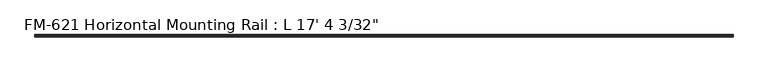
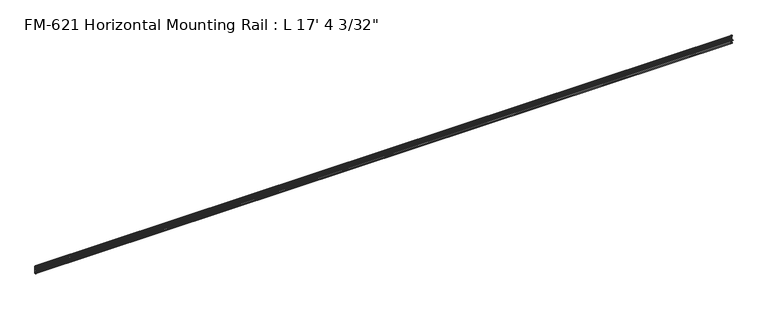
"""IFC4 building model written with IfcOpenShell, lengths in millimetres: proxy geometry."""

import ifcopenshell
import ifcopenshell.guid

model = None  # the IFC model being written
_history = None  # IfcOwnerHistory: only IFC2X3 demands one
_inside = {}  # id of a spatial element -> (the spatial element, [elements in it])
_under = {}  # id of a project, library or spatial element -> (it, [spatial elements below it])
_declared = {}  # id of a project -> (the project, [libraries it declares])
_typed = {}  # id of a type object -> (the type object, [elements of that type])
_made_of = {}  # id of a material, layer set ... -> (it, [elements and type objects made of it])


def new_model(schema):
    """Start an empty IFC model of exactly this schema.

    Asked for "IFC4X3", IfcOpenShell would pick the latest addendum, in which some entities
    have other attributes; the version numbers below select the first issue.
    IFC2X3 requires an IfcOwnerHistory on every rooted entity: one is made here for all.
    """
    global model, _history
    if schema == "IFC4X3":
        model = ifcopenshell.file(schema_version=(4, 3, 0, 0))
    else:
        model = ifcopenshell.file(schema=schema)
    _inside.clear()
    _under.clear()
    _declared.clear()
    _typed.clear()
    _made_of.clear()
    _history = None
    if model.schema == "IFC2X3":
        org = make("IfcOrganization", Name="unknown")
        user = make(
            "IfcPersonAndOrganization",
            ThePerson=make("IfcPerson", FamilyName="unknown"),
            TheOrganization=org,
        )
        app = make(
            "IfcApplication",
            ApplicationDeveloper=org,
            Version="unknown",
            ApplicationFullName="unknown",
            ApplicationIdentifier="unknown",
        )
        _history = make(
            "IfcOwnerHistory",
            OwningUser=user,
            OwningApplication=app,
            ChangeAction="ADDED",
            CreationDate=0,
        )
    return model


def make(cls, **values):
    """One entity of the class cls with the attributes given. An attribute that is None is left unset."""
    return model.create_entity(
        cls, **{name: value for name, value in values.items() if value is not None}
    )


def rooted(cls, **values):
    """An entity with a GlobalId (a new one), such as an element, a storey or a relation."""
    return make(cls, GlobalId=ifcopenshell.guid.new(), OwnerHistory=_history, **values)


def si_unit(unit_type, name, prefix=None):
    """IfcSIUnit, for example si_unit("LENGTHUNIT", "METRE", prefix="MILLI")."""
    return make("IfcSIUnit", UnitType=unit_type, Prefix=prefix, Name=name)


def assignment(units):
    """IfcUnitAssignment: the units of a project."""
    return None if units is None else make("IfcUnitAssignment", Units=units)


def point(xyz):
    """IfcCartesianPoint."""
    return None if xyz is None else make("IfcCartesianPoint", Coordinates=xyz)


def direction(xyz):
    """IfcDirection."""
    return None if xyz is None else make("IfcDirection", DirectionRatios=xyz)


def frame(location, z_axis=None, x_axis=None):
    """IfcAxis2Placement3D, a coordinate frame: its origin and axes. An axis left out is left unset."""
    return make(
        "IfcAxis2Placement3D",
        Location=point(location),
        Axis=direction(z_axis),
        RefDirection=direction(x_axis),
    )


def frame_2d(location, x_axis=None):
    """IfcAxis2Placement2D, a coordinate frame in the plane: its origin and x axis."""
    return make(
        "IfcAxis2Placement2D", Location=point(location), RefDirection=direction(x_axis)
    )


def origin():
    """The frame at (0, 0, 0) with its axes left unset."""
    return frame((0.0, 0.0, 0.0))


def place(relative_to, where):
    """IfcLocalPlacement: puts the frame where relative to a parent placement (None: the world)."""
    return make(
        "IfcLocalPlacement", PlacementRelTo=relative_to, RelativePlacement=where
    )


def context(
    kind, dimensions, precision=None, world=None, true_north=None, identifier=None
):
    """IfcGeometricRepresentationContext, for example the 3D "Model" context."""
    return make(
        "IfcGeometricRepresentationContext",
        ContextIdentifier=identifier,
        ContextType=kind,
        CoordinateSpaceDimension=dimensions,
        Precision=precision,
        WorldCoordinateSystem=world,
        TrueNorth=true_north,
    )


def project(units=None, contexts=None):
    """IfcProject with its units and contexts."""
    return rooted(
        "IfcProject",
        Name="project",
        RepresentationContexts=contexts,
        UnitsInContext=assignment(units),
    )


def spatial(cls, under=None, at=None, **own):
    """A site, building, storey or space (cls), placed at a placement, below another one or the project."""
    s = rooted(cls, ObjectPlacement=at, **own)
    if under is not None:
        _under.setdefault(under.id(), (under, []))[1].append(s)
    return s


def polyline(points):
    """IfcPolyline through the points."""
    return make("IfcPolyline", Points=[point(p) for p in points])


def circle_curve(where, radius):
    """IfcCircle in the frame where."""
    return make("IfcCircle", Position=where, Radius=radius)


def trimmed(basis, trim1, trim2, sense, master):
    """IfcTrimmedCurve: the piece of a basis curve between two trims."""
    return make(
        "IfcTrimmedCurve",
        BasisCurve=basis,
        Trim1=trim1,
        Trim2=trim2,
        SenseAgreement=sense,
        MasterRepresentation=master,
    )


def segment(curve, same_sense, transition):
    """IfcCompositeCurveSegment."""
    return make(
        "IfcCompositeCurveSegment",
        Transition=transition,
        SameSense=same_sense,
        ParentCurve=curve,
    )


def composite_curve(segments, self_intersect=None):
    """IfcCompositeCurve: segments joined end to end."""
    return make("IfcCompositeCurve", Segments=segments, SelfIntersect=self_intersect)


def outline(outer, holes=None, kind="AREA"):
    """IfcArbitraryClosedProfileDef: a profile drawn as a closed curve; with holes, ...WithVoids."""
    if holes is None:
        return make("IfcArbitraryClosedProfileDef", ProfileType=kind, OuterCurve=outer)
    return make(
        "IfcArbitraryProfileDefWithVoids",
        ProfileType=kind,
        OuterCurve=outer,
        InnerCurves=holes,
    )


def extrude(swept, where, along, depth):
    """IfcExtrudedAreaSolid: the profile swept, set in the frame where, extruded along a direction by depth."""
    return make(
        "IfcExtrudedAreaSolid",
        SweptArea=swept,
        Position=where,
        ExtrudedDirection=direction(along),
        Depth=depth,
    )


def shape(context_of_items, identifier, shape_type, items):
    """IfcShapeRepresentation: the items that make up one representation, for example the "Body"."""
    return make(
        "IfcShapeRepresentation",
        ContextOfItems=context_of_items,
        RepresentationIdentifier=identifier,
        RepresentationType=shape_type,
        Items=items,
    )


def source(mapping_origin, context_of_items, identifier, shape_type, items):
    """IfcRepresentationMap: a shape defined once, which mapped items show again and again."""
    return make(
        "IfcRepresentationMap",
        MappingOrigin=mapping_origin,
        MappedRepresentation=shape(context_of_items, identifier, shape_type, items),
    )


def transform(
    local_origin,
    x_axis=None,
    y_axis=None,
    z_axis=None,
    scale=None,
    scale2=None,
    scale3=None,
    uniform=True,
):
    """IfcCartesianTransformationOperator3D, or its non-uniform kind. x_axis, y_axis, z_axis: its Axis1, 2, 3."""
    if uniform:
        return make(
            "IfcCartesianTransformationOperator3D",
            Axis1=direction(x_axis),
            Axis2=direction(y_axis),
            LocalOrigin=point(local_origin),
            Scale=scale,
            Axis3=direction(z_axis),
        )
    return make(
        "IfcCartesianTransformationOperator3DnonUniform",
        Axis1=direction(x_axis),
        Axis2=direction(y_axis),
        LocalOrigin=point(local_origin),
        Scale=scale,
        Axis3=direction(z_axis),
        Scale2=scale2,
        Scale3=scale3,
    )


def mapped(mapping_source, mapping_target):
    """IfcMappedItem: shows the shape of a source again, moved by a transform."""
    return make(
        "IfcMappedItem", MappingSource=mapping_source, MappingTarget=mapping_target
    )


def made_of(thing, what):
    """Note that an element or type object is made of a material, layer set ...; save() writes the relation."""
    if what is not None:
        _made_of.setdefault(what.id(), (what, []))[1].append(thing)
    return thing


def element(
    cls,
    number,
    at=None,
    inside=None,
    cuts=None,
    type_object=None,
    material=None,
    context=None,
    identifier="Body",
    shape_type=None,
    held_by="IfcProductDefinitionShape",
    body=None,
    shapes=None,
    **own,
):
    """One element of the class cls, such as IfcWall. Its Tag is "e" and its number.

    at: its placement. inside: the storey or other place that contains it. cuts: it is an
    opening in that element (IfcRelVoidsElement). A single representation is given by context,
    identifier, shape_type and body (its items); several are given by shapes. held_by: the class
    of the entity that holds the representations. save() writes the other relations.
    """
    e = rooted(cls, Tag="e%d" % number, ObjectPlacement=at, **own)
    if body is not None:
        shapes = [shape(context, identifier, shape_type, body)]
    if shapes is not None:
        e.Representation = make(held_by, Representations=shapes)
    if inside is not None:
        _inside.setdefault(inside.id(), (inside, []))[1].append(e)
    if cuts is not None:
        rooted(
            "IfcRelVoidsElement", RelatingBuildingElement=cuts, RelatedOpeningElement=e
        )
    if type_object is not None:
        _typed.setdefault(type_object.id(), (type_object, []))[1].append(e)
    return made_of(e, material)


def aggregate(whole, parts):
    """IfcRelAggregates: a whole, such as a stair, and the parts it consists of."""
    return rooted("IfcRelAggregates", RelatingObject=whole, RelatedObjects=parts)


def save(model, path):
    """Write the relations noted so far, then the file.

    IfcRelAggregates (storeys below a building ...), IfcRelContainedInSpatialStructure (elements
    in a storey), IfcRelDefinesByType, IfcRelAssociatesMaterial and IfcRelDeclares: one each for
    every whole, place, type object, material and project.
    """
    for whole, parts in _under.values():
        aggregate(whole, parts)
    for where, things in _inside.values():
        rooted(
            "IfcRelContainedInSpatialStructure",
            RelatedElements=things,
            RelatingStructure=where,
        )
    for kind, things in _typed.values():
        rooted("IfcRelDefinesByType", RelatedObjects=things, RelatingType=kind)
    for what, things in _made_of.values():
        rooted("IfcRelAssociatesMaterial", RelatedObjects=things, RelatingMaterial=what)
    for by, libraries in _declared.values():
        rooted("IfcRelDeclares", RelatingContext=by, RelatedDefinitions=libraries)
    model.write(path)


def proxy_2d6419f6(model_context):
    return source(origin(), model_context, "Body", "SweptSolid", [
        extrude(outline(composite_curve([segment(polyline([(13.6400687, 32.1158903), (15.4750158, 32.6885982)]), True, "CONTINUOUS"), segment(trimmed(circle_curve(frame_2d((15.6853088, 32.2686835)), 0.4696291), [point((15.4750158, 32.6885982))], [point((16.1549378, 32.2686835))], False, "CARTESIAN"), True, "CONTINUOUS"), segment(polyline([(16.1549378, 32.2686835), (16.1549378, 30.7270734)]), True, "CONTINUOUS"), segment(trimmed(circle_curve(frame_2d((17.7424378, 30.7270734)), 1.5875), [point((16.1549378, 30.7270734))], [point((17.7424378, 29.1395734))], True, "CARTESIAN"), True, "CONTINUOUS"), segment(polyline([(17.7424378, 29.1395734), (19.05, 29.1395734), (19.05, 0.0), (19.05, -27.5520734), (17.7424378, -27.5520734)]), True, "CONTINUOUS"), segment(trimmed(circle_curve(frame_2d((17.7424378, -29.1395734)), 1.5875), [point((17.7424378, -27.5520734))], [point((16.1549378, -29.1395734))], True, "CARTESIAN"), True, "CONTINUOUS"), segment(polyline([(16.1549378, -29.1395734), (16.1549378, -30.6811835)]), True, "CONTINUOUS"), segment(trimmed(circle_curve(frame_2d((15.6853088, -30.6811835)), 0.4696291), [point((16.1549378, -30.6811835))], [point((15.4750158, -31.1010982))], False, "CARTESIAN"), True, "CONTINUOUS"), segment(polyline([(15.4750158, -31.1010982), (13.6400687, -30.5283903)]), True, "CONTINUOUS"), segment(trimmed(circle_curve(frame_2d((14.5481808, -27.6188136)), 3.048), [point((13.6400687, -30.5283903))], [point((11.9462301, -29.2063136))], False, "CARTESIAN"), True, "CONTINUOUS"), segment(trimmed(circle_curve(frame_2d((14.5481808, -27.6188136)), 3.048), [point((11.9462301, -29.2063136))], [point((13.6400687, -24.7092369))], False, "CARTESIAN"), True, "CONTINUOUS"), segment(polyline([(13.6400687, -24.7092369), (15.4364113, -24.1485779)]), True, "CONTINUOUS"), segment(trimmed(circle_curve(frame_2d((15.6245238, -24.6872792)), 0.5706009), [point((15.4364113, -24.1485779))], [point((16.1779173, -24.8263515))], False, "CARTESIAN"), True, "CONTINUOUS"), segment(trimmed(circle_curve(frame_2d((16.9169378, -25.0120734)), 0.762), [point((16.1779173, -24.8263515))], [point((16.9376166, -25.7737928))], True, "CARTESIAN"), True, "CONTINUOUS"), segment(trimmed(circle_curve(frame_2d((16.9545, -25.2660734)), 0.508), [point((16.9376166, -25.7737928))], [point((17.4625, -25.2660734))], True, "CARTESIAN"), True, "CONTINUOUS"), segment(polyline([(17.4625, -25.2660734), (17.4625, -14.0784614), (17.9716639, -13.1610418), (17.9716639, -11.820881), (17.4625, -10.9034614), (17.4625, -1.9277595)]), True, "CONTINUOUS"), segment(trimmed(circle_curve(frame_2d((15.5575, -1.9277595)), 1.905), [point((17.4625, -1.9277595))], [point((15.5575, -0.0227595))], True, "CARTESIAN"), True, "CONTINUOUS"), segment(polyline([(15.5575, -0.0227595), (6.3855322, -0.0227595)]), True, "CONTINUOUS"), segment(trimmed(circle_curve(frame_2d((4.7981953, 0.0)), 1.5875), [point((6.3855322, -0.0227595))], [point((3.2106953, 0.0))], False, "CARTESIAN"), True, "CONTINUOUS"), segment(polyline([(3.2106953, 0.0), (0.0, 0.0), (0.0, 1.5875), (3.2106953, 1.5875)]), True, "CONTINUOUS"), segment(trimmed(circle_curve(frame_2d((4.7981953, 1.5875)), 1.5875), [point((3.2106953, 1.5875))], [point((6.3855322, 1.6102595))], False, "CARTESIAN"), True, "CONTINUOUS"), segment(polyline([(6.3855322, 1.6102595), (15.5575, 1.6102595)]), True, "CONTINUOUS"), segment(trimmed(circle_curve(frame_2d((15.5575, 3.5152595)), 1.905), [point((15.5575, 1.6102595))], [point((17.4625, 3.5152595))], True, "CARTESIAN"), True, "CONTINUOUS"), segment(polyline([(17.4625, 3.5152595), (17.4625, 12.4909614), (17.9716639, 13.408381), (17.9716639, 14.7485418), (17.4625, 15.6659614), (17.4625, 26.8535734)]), True, "CONTINUOUS"), segment(trimmed(circle_curve(frame_2d((16.9545, 26.8535734)), 0.508), [point((17.4625, 26.8535734))], [point((16.9376166, 27.3612928))], True, "CARTESIAN"), True, "CONTINUOUS"), segment(trimmed(circle_curve(frame_2d((16.9169378, 26.5995734)), 0.762), [point((16.9376166, 27.3612928))], [point((16.1779173, 26.4138515))], True, "CARTESIAN"), True, "CONTINUOUS"), segment(trimmed(circle_curve(frame_2d((15.6245238, 26.2747792)), 0.5706009), [point((16.1779173, 26.4138515))], [point((15.4364113, 25.7360779))], False, "CARTESIAN"), True, "CONTINUOUS"), segment(polyline([(15.4364113, 25.7360779), (13.6400687, 26.2967369)]), True, "CONTINUOUS"), segment(trimmed(circle_curve(frame_2d((14.5481808, 29.2063136)), 3.048), [point((13.6400687, 26.2967369))], [point((11.9462301, 30.7938136))], False, "CARTESIAN"), True, "CONTINUOUS"), segment(trimmed(circle_curve(frame_2d((14.5481808, 29.2063136)), 3.048), [point((11.9462301, 30.7938136))], [point((13.6400687, 32.1158903))], False, "CARTESIAN"), True, "CONTINUOUS")], self_intersect=False)), frame((0.0, 0.0, 0.0), z_axis=(1.0, 0.0, 0.0), x_axis=(0.0, 1.0, 0.0)), (0.0, 0.0, 1.0), 5285.58125),
    ])


if __name__ == "__main__":
    model = new_model("IFC4")
    model_context = context("Model", 3, world=origin())
    ifc_project = project(units=[si_unit("LENGTHUNIT", "METRE", prefix="MILLI")], contexts=[model_context])
    site = spatial("IfcSite", under=ifc_project)
    building = spatial("IfcBuilding", under=site)
    placement = place(None, origin())
    proxy_shape = proxy_2d6419f6(model_context)
    element("IfcBuildingElementProxy", 1, Name="FM-621 Horizontal Mounting Rail : L 17' 4 3/32\"", ObjectType="FM-621 Horizontal Mounting Rail : L 17' 4 3/32\"", at=placement, inside=building, context=model_context, shape_type="MappedRepresentation", body=[
        mapped(proxy_shape, transform((0.0, 0.0, 0.0), x_axis=(1.0, 0.0, 0.0), y_axis=(0.0, 1.0, 0.0), z_axis=(0.0, 0.0, 1.0))),
    ])
    save(model, "model.ifc")
